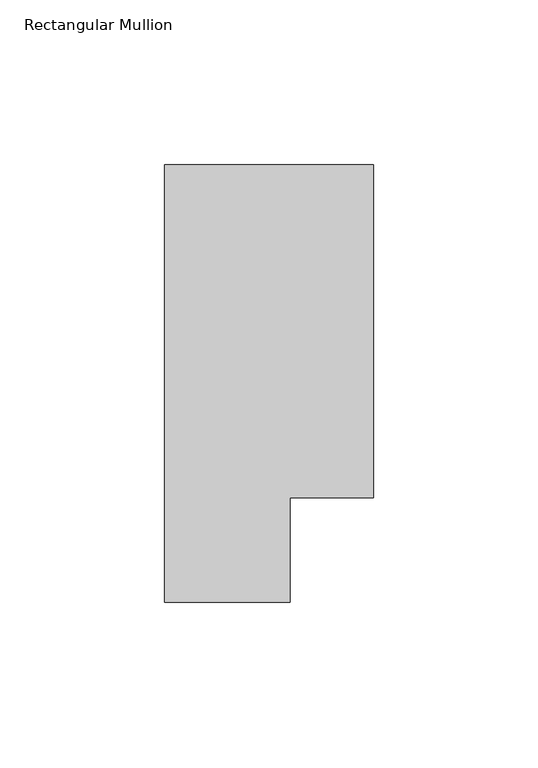
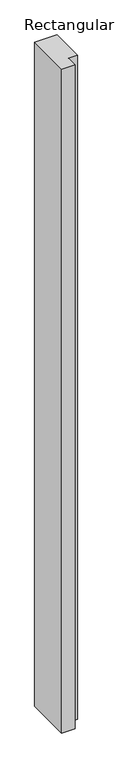
"""IFC4 building model written with IfcOpenShell, lengths in millimetres: member geometry, Rectangular Mullion."""

from ifc_helpers import new_model, si_unit, frame, origin, place, context, project, spatial, polyline, outline, extrude, source, transform, mapped, element, save


def rectangular_mullion_c35c1ebf(model_context):
    return source(origin(), model_context, "Body", "SweptSolid", [
        extrude(outline(polyline([(6.35, 56.6539062), (6.35, 24.9039063), (-31.75, 24.9039063), (-31.75, 157.8475062), (31.75, 157.8475063), (31.75, 56.6539063), (6.35, 56.6539062)])), frame((0.0, 0.0, -1993.9), z_axis=(0.0, 0.0, 1.0), x_axis=(1.0, 0.0, 0.0)), (0.0, 0.0, 1.0), 1993.9),
    ])


if __name__ == "__main__":
    model = new_model("IFC4")
    model_context = context("Model", 3, world=origin())
    ifc_project = project(units=[si_unit("LENGTHUNIT", "METRE", prefix="MILLI")], contexts=[model_context])
    site = spatial("IfcSite", under=ifc_project)
    building = spatial("IfcBuilding", under=site)
    placement = place(None, origin())
    rectangular_mullion_shape = rectangular_mullion_c35c1ebf(model_context)
    element("IfcMember", 1, ObjectType="Rectangular Mullion", at=placement, inside=building, context=model_context, shape_type="MappedRepresentation", body=[
        mapped(rectangular_mullion_shape, transform((0.0, 0.0, 0.0), x_axis=(1.0, 0.0, 0.0), y_axis=(0.0, 1.0, 0.0), z_axis=(0.0, 0.0, 1.0))),
    ])
    save(model, "model.ifc")
